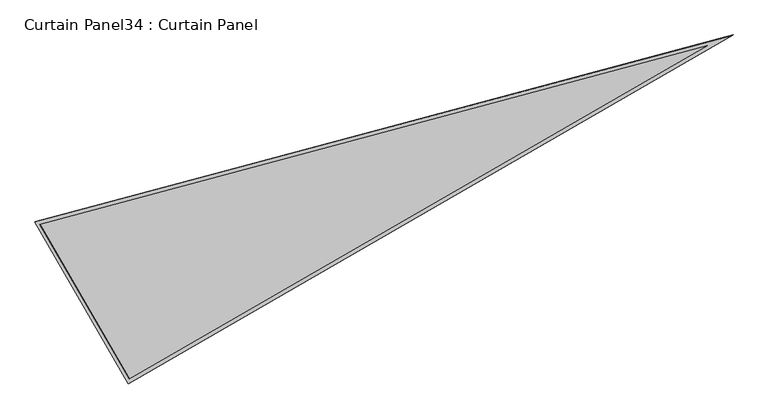
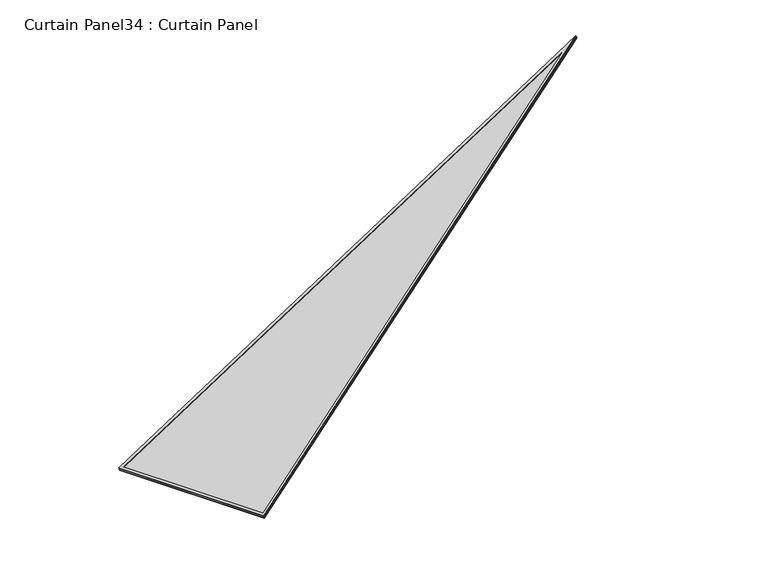
"""IFC4 building model written with IfcOpenShell, lengths in millimetres: plate geometry, Curtain Panel34 : Curtain Panel."""

from ifc_helpers import new_model, si_unit, frame, origin, place, context, project, spatial, polyline, outline, extrude, source, transform, mapped, element, save


def curtain_panel34_curtain_panel_4bfd1d4d(model_context):
    return source(origin(), model_context, "Body", "SweptSolid", [
        extrude(outline(polyline([(895.9373553, 0.0), (0.0, -3524.4506618), (0.0, 0.0), (895.9373553, 0.0)]), holes=[polyline([(874.508816, -16.6627979), (16.6627978, -16.6627979), (16.6627979, -3391.2692346), (874.508816, -16.6627979)])]), frame((6086.6468392, -1235.3398968, 898.6994038), z_axis=(-0.2737903148616801, -0.1580729119869012, 0.948710608132914), x_axis=(-0.49999999999999756, 0.86602540378444, 0.0)), (0.0, 0.0, 1.0), 4.8325478),
        extrude(outline(polyline([(895.9373554, -1e-07), (0.0, -3524.4506618), (0.0, 0.0), (895.9373554, -1e-07)]), holes=[polyline([(882.6749851, -10.3127979), (10.3127979, -10.312798), (10.3127979, -3442.0231398), (882.6749851, -10.3127979)])]), frame((6091.4727241, -1232.5536709, 881.9772337), z_axis=(-0.27379031486167943, -0.15807291198690054, 0.9487106081329143), x_axis=(-0.49999999999999684, 0.8660254037844405, 0.0)), (0.0, 0.0, 1.0), 4.8220694),
        extrude(outline(polyline([(12.7, 0.0), (908.6373554, 0.0), (12.7, -3524.4506617), (12.7, 0.0)])), frame((6096.5024883, -1244.314432, 886.5519821), z_axis=(-0.2737903148616803, -0.15807291198690102, 0.9487106081329141), x_axis=(-0.49999999999999567, 0.8660254037844412, 0.0)), (0.0, 0.0, 1.0), 12.8041382),
    ])


if __name__ == "__main__":
    model = new_model("IFC4")
    model_context = context("Model", 3, world=origin())
    ifc_project = project(units=[si_unit("LENGTHUNIT", "METRE", prefix="MILLI")], contexts=[model_context])
    site = spatial("IfcSite", under=ifc_project)
    building = spatial("IfcBuilding", under=site)
    placement = place(None, origin())
    curtain_panel34_curtain_panel_shape = curtain_panel34_curtain_panel_4bfd1d4d(model_context)
    element("IfcPlate", 1, ObjectType="Curtain Panel34 : Curtain Panel", at=placement, inside=building, context=model_context, shape_type="MappedRepresentation", body=[
        mapped(curtain_panel34_curtain_panel_shape, transform((0.0, 0.0, 0.0), x_axis=(1.0, 0.0, 0.0), y_axis=(0.0, 1.0, 0.0), z_axis=(0.0, 0.0, 1.0))),
    ])
    save(model, "model.ifc")
